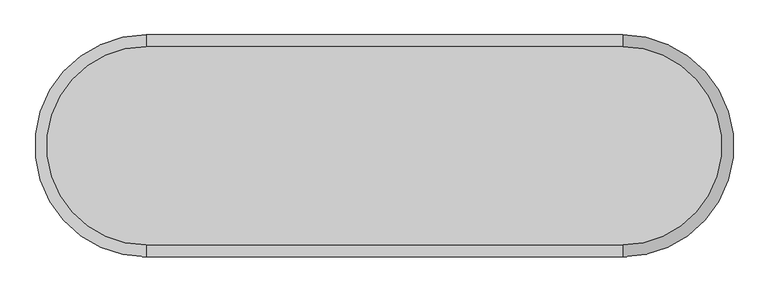
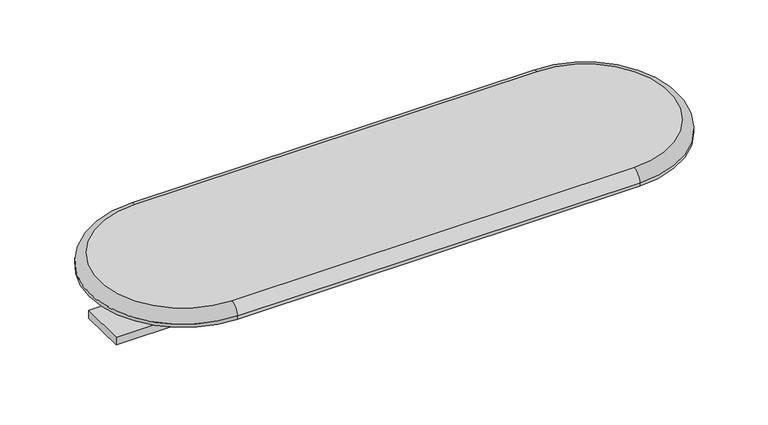
"""IFC4 building model written with IfcOpenShell, lengths in millimetres: furniture geometry."""

import ifcopenshell
import ifcopenshell.guid

model = None  # the IFC model being written
_history = None  # IfcOwnerHistory: only IFC2X3 demands one
_inside = {}  # id of a spatial element -> (the spatial element, [elements in it])
_under = {}  # id of a project, library or spatial element -> (it, [spatial elements below it])
_declared = {}  # id of a project -> (the project, [libraries it declares])
_typed = {}  # id of a type object -> (the type object, [elements of that type])
_made_of = {}  # id of a material, layer set ... -> (it, [elements and type objects made of it])


def new_model(schema):
    """Start an empty IFC model of exactly this schema.

    Asked for "IFC4X3", IfcOpenShell would pick the latest addendum, in which some entities
    have other attributes; the version numbers below select the first issue.
    IFC2X3 requires an IfcOwnerHistory on every rooted entity: one is made here for all.
    """
    global model, _history
    if schema == "IFC4X3":
        model = ifcopenshell.file(schema_version=(4, 3, 0, 0))
    else:
        model = ifcopenshell.file(schema=schema)
    _inside.clear()
    _under.clear()
    _declared.clear()
    _typed.clear()
    _made_of.clear()
    _history = None
    if model.schema == "IFC2X3":
        org = make("IfcOrganization", Name="unknown")
        user = make(
            "IfcPersonAndOrganization",
            ThePerson=make("IfcPerson", FamilyName="unknown"),
            TheOrganization=org,
        )
        app = make(
            "IfcApplication",
            ApplicationDeveloper=org,
            Version="unknown",
            ApplicationFullName="unknown",
            ApplicationIdentifier="unknown",
        )
        _history = make(
            "IfcOwnerHistory",
            OwningUser=user,
            OwningApplication=app,
            ChangeAction="ADDED",
            CreationDate=0,
        )
    return model


def make(cls, **values):
    """One entity of the class cls with the attributes given. An attribute that is None is left unset."""
    return model.create_entity(
        cls, **{name: value for name, value in values.items() if value is not None}
    )


def rooted(cls, **values):
    """An entity with a GlobalId (a new one), such as an element, a storey or a relation."""
    return make(cls, GlobalId=ifcopenshell.guid.new(), OwnerHistory=_history, **values)


def si_unit(unit_type, name, prefix=None):
    """IfcSIUnit, for example si_unit("LENGTHUNIT", "METRE", prefix="MILLI")."""
    return make("IfcSIUnit", UnitType=unit_type, Prefix=prefix, Name=name)


def assignment(units):
    """IfcUnitAssignment: the units of a project."""
    return None if units is None else make("IfcUnitAssignment", Units=units)


def point(xyz):
    """IfcCartesianPoint."""
    return None if xyz is None else make("IfcCartesianPoint", Coordinates=xyz)


def direction(xyz):
    """IfcDirection."""
    return None if xyz is None else make("IfcDirection", DirectionRatios=xyz)


def frame(location, z_axis=None, x_axis=None):
    """IfcAxis2Placement3D, a coordinate frame: its origin and axes. An axis left out is left unset."""
    return make(
        "IfcAxis2Placement3D",
        Location=point(location),
        Axis=direction(z_axis),
        RefDirection=direction(x_axis),
    )


def frame_2d(location, x_axis=None):
    """IfcAxis2Placement2D, a coordinate frame in the plane: its origin and x axis."""
    return make(
        "IfcAxis2Placement2D", Location=point(location), RefDirection=direction(x_axis)
    )


def origin():
    """The frame at (0, 0, 0) with its axes left unset."""
    return frame((0.0, 0.0, 0.0))


def place(relative_to, where):
    """IfcLocalPlacement: puts the frame where relative to a parent placement (None: the world)."""
    return make(
        "IfcLocalPlacement", PlacementRelTo=relative_to, RelativePlacement=where
    )


def context(
    kind, dimensions, precision=None, world=None, true_north=None, identifier=None
):
    """IfcGeometricRepresentationContext, for example the 3D "Model" context."""
    return make(
        "IfcGeometricRepresentationContext",
        ContextIdentifier=identifier,
        ContextType=kind,
        CoordinateSpaceDimension=dimensions,
        Precision=precision,
        WorldCoordinateSystem=world,
        TrueNorth=true_north,
    )


def project(units=None, contexts=None):
    """IfcProject with its units and contexts."""
    return rooted(
        "IfcProject",
        Name="project",
        RepresentationContexts=contexts,
        UnitsInContext=assignment(units),
    )


def spatial(cls, under=None, at=None, **own):
    """A site, building, storey or space (cls), placed at a placement, below another one or the project."""
    s = rooted(cls, ObjectPlacement=at, **own)
    if under is not None:
        _under.setdefault(under.id(), (under, []))[1].append(s)
    return s


def polyline(points):
    """IfcPolyline through the points."""
    return make("IfcPolyline", Points=[point(p) for p in points])


def circle_curve(where, radius):
    """IfcCircle in the frame where."""
    return make("IfcCircle", Position=where, Radius=radius)


def ellipse_curve(where, semi_axis1, semi_axis2):
    """IfcEllipse in the frame where."""
    return make(
        "IfcEllipse", Position=where, SemiAxis1=semi_axis1, SemiAxis2=semi_axis2
    )


def trimmed(basis, trim1, trim2, sense, master):
    """IfcTrimmedCurve: the piece of a basis curve between two trims."""
    return make(
        "IfcTrimmedCurve",
        BasisCurve=basis,
        Trim1=trim1,
        Trim2=trim2,
        SenseAgreement=sense,
        MasterRepresentation=master,
    )


def segment(curve, same_sense, transition):
    """IfcCompositeCurveSegment."""
    return make(
        "IfcCompositeCurveSegment",
        Transition=transition,
        SameSense=same_sense,
        ParentCurve=curve,
    )


def composite_curve(segments, self_intersect=None):
    """IfcCompositeCurve: segments joined end to end."""
    return make("IfcCompositeCurve", Segments=segments, SelfIntersect=self_intersect)


def outline(outer, holes=None, kind="AREA"):
    """IfcArbitraryClosedProfileDef: a profile drawn as a closed curve; with holes, ...WithVoids."""
    if holes is None:
        return make("IfcArbitraryClosedProfileDef", ProfileType=kind, OuterCurve=outer)
    return make(
        "IfcArbitraryProfileDefWithVoids",
        ProfileType=kind,
        OuterCurve=outer,
        InnerCurves=holes,
    )


def extrude(swept, where, along, depth):
    """IfcExtrudedAreaSolid: the profile swept, set in the frame where, extruded along a direction by depth."""
    return make(
        "IfcExtrudedAreaSolid",
        SweptArea=swept,
        Position=where,
        ExtrudedDirection=direction(along),
        Depth=depth,
    )


def shape(context_of_items, identifier, shape_type, items):
    """IfcShapeRepresentation: the items that make up one representation, for example the "Body"."""
    return make(
        "IfcShapeRepresentation",
        ContextOfItems=context_of_items,
        RepresentationIdentifier=identifier,
        RepresentationType=shape_type,
        Items=items,
    )


def source(mapping_origin, context_of_items, identifier, shape_type, items):
    """IfcRepresentationMap: a shape defined once, which mapped items show again and again."""
    return make(
        "IfcRepresentationMap",
        MappingOrigin=mapping_origin,
        MappedRepresentation=shape(context_of_items, identifier, shape_type, items),
    )


def transform(
    local_origin,
    x_axis=None,
    y_axis=None,
    z_axis=None,
    scale=None,
    scale2=None,
    scale3=None,
    uniform=True,
):
    """IfcCartesianTransformationOperator3D, or its non-uniform kind. x_axis, y_axis, z_axis: its Axis1, 2, 3."""
    if uniform:
        return make(
            "IfcCartesianTransformationOperator3D",
            Axis1=direction(x_axis),
            Axis2=direction(y_axis),
            LocalOrigin=point(local_origin),
            Scale=scale,
            Axis3=direction(z_axis),
        )
    return make(
        "IfcCartesianTransformationOperator3DnonUniform",
        Axis1=direction(x_axis),
        Axis2=direction(y_axis),
        LocalOrigin=point(local_origin),
        Scale=scale,
        Axis3=direction(z_axis),
        Scale2=scale2,
        Scale3=scale3,
    )


def mapped(mapping_source, mapping_target):
    """IfcMappedItem: shows the shape of a source again, moved by a transform."""
    return make(
        "IfcMappedItem", MappingSource=mapping_source, MappingTarget=mapping_target
    )


def made_of(thing, what):
    """Note that an element or type object is made of a material, layer set ...; save() writes the relation."""
    if what is not None:
        _made_of.setdefault(what.id(), (what, []))[1].append(thing)
    return thing


def element(
    cls,
    number,
    at=None,
    inside=None,
    cuts=None,
    type_object=None,
    material=None,
    context=None,
    identifier="Body",
    shape_type=None,
    held_by="IfcProductDefinitionShape",
    body=None,
    shapes=None,
    **own,
):
    """One element of the class cls, such as IfcWall. Its Tag is "e" and its number.

    at: its placement. inside: the storey or other place that contains it. cuts: it is an
    opening in that element (IfcRelVoidsElement). A single representation is given by context,
    identifier, shape_type and body (its items); several are given by shapes. held_by: the class
    of the entity that holds the representations. save() writes the other relations.
    """
    e = rooted(cls, Tag="e%d" % number, ObjectPlacement=at, **own)
    if body is not None:
        shapes = [shape(context, identifier, shape_type, body)]
    if shapes is not None:
        e.Representation = make(held_by, Representations=shapes)
    if inside is not None:
        _inside.setdefault(inside.id(), (inside, []))[1].append(e)
    if cuts is not None:
        rooted(
            "IfcRelVoidsElement", RelatingBuildingElement=cuts, RelatedOpeningElement=e
        )
    if type_object is not None:
        _typed.setdefault(type_object.id(), (type_object, []))[1].append(e)
    return made_of(e, material)


def aggregate(whole, parts):
    """IfcRelAggregates: a whole, such as a stair, and the parts it consists of."""
    return rooted("IfcRelAggregates", RelatingObject=whole, RelatedObjects=parts)


def save(model, path):
    """Write the relations noted so far, then the file.

    IfcRelAggregates (storeys below a building ...), IfcRelContainedInSpatialStructure (elements
    in a storey), IfcRelDefinesByType, IfcRelAssociatesMaterial and IfcRelDeclares: one each for
    every whole, place, type object, material and project.
    """
    for whole, parts in _under.values():
        aggregate(whole, parts)
    for where, things in _inside.values():
        rooted(
            "IfcRelContainedInSpatialStructure",
            RelatedElements=things,
            RelatingStructure=where,
        )
    for kind, things in _typed.values():
        rooted("IfcRelDefinesByType", RelatedObjects=things, RelatingType=kind)
    for what, things in _made_of.values():
        rooted("IfcRelAssociatesMaterial", RelatedObjects=things, RelatingMaterial=what)
    for by, libraries in _declared.values():
        rooted("IfcRelDeclares", RelatingContext=by, RelatedDefinitions=libraries)
    model.write(path)


def plane_surface(at):
    """IfcPlane: the flat surface through the origin of the frame at, square to its z axis."""
    return make("IfcPlane", Position=at)


def cylinder_surface(at, radius):
    """IfcCylindricalSurface: all points at the distance radius from the z axis of the frame at."""
    return make("IfcCylindricalSurface", Position=at, Radius=radius)


def revolved_surface(curve, axis_point, axis_direction):
    """IfcSurfaceOfRevolution: the curve turned about the line through axis_point along axis_direction."""
    return make(
        "IfcSurfaceOfRevolution",
        SweptCurve=make("IfcArbitraryOpenProfileDef", ProfileType="CURVE", Curve=curve),
        AxisPosition=make("IfcAxis1Placement", Location=point(axis_point), Axis=direction(axis_direction)),
    )


def advanced_brep(points, edges, surfaces, faces):
    """IfcAdvancedBrep: a solid bounded by faces that lie on surfaces and meet in shared edges.

    An edge is (start, end): straight between two places in points (the first is 0);
    or (start, end, curve); or (start, end, curve, False) where it runs against its curve.
    A face is (place in surfaces, loops), or (place, loops, False) where it looks against
    its surface's normal. A loop lists edges by number (the first is 1), with a minus sign
    where the edge is run from its end to its start. The first loop is the outer one.
    """
    corners = [point(p) for p in points]
    vertices = [make("IfcVertexPoint", VertexGeometry=c) for c in corners]
    made = []
    for start, end, *more in edges:
        made.append(
            make(
                "IfcEdgeCurve",
                EdgeStart=vertices[start],
                EdgeEnd=vertices[end],
                EdgeGeometry=more[0] if more else make("IfcPolyline", Points=[corners[start], corners[end]]),
                SameSense=more[1] if len(more) > 1 else True,
            )
        )
    hull = []
    for where, loops, *sense in faces:
        bounds = []
        for j, loop in enumerate(loops):
            ring = [make("IfcOrientedEdge", EdgeElement=made[abs(k) - 1], Orientation=k > 0) for k in loop]
            bounds.append(
                make(
                    "IfcFaceOuterBound" if j == 0 else "IfcFaceBound",
                    Bound=make("IfcEdgeLoop", EdgeList=ring),
                    Orientation=True,
                )
            )
        hull.append(make("IfcAdvancedFace", Bounds=bounds, FaceSurface=surfaces[where], SameSense=sense[0] if sense else True))
    return make("IfcAdvancedBrep", Outer=make("IfcClosedShell", CfsFaces=hull))


def furniture_96a752b7(model_context):
    return source(origin(), model_context, "Body", "SolidModel", [
        advanced_brep(
        [(-860.8471981, 1154.1353662, 1069.975), (-860.8471981, 836.6353662, 1069.975), (-98.8471981, 836.6353662, 1069.975), (-98.8471981, 1154.1353662, 1069.975), (-860.8471981, 817.5853662, 1044.574997), (-860.8471981, 1173.1853662, 1044.574997), (-98.8471981, 1173.1853662, 1044.574997), (-98.8471981, 817.5853662, 1044.574997), (-860.8471981, 817.5853662, 1050.925), (-860.8471981, 1173.1853662, 1050.925), (-98.8471981, 817.5853662, 1050.925), (-98.8471981, 1173.1853662, 1050.925)],
        [
            (0, 1, circle_curve(frame((-860.8471981, 995.3853662, 1069.975), z_axis=(0.0, 0.0, 1.0), x_axis=(0.0, 1.0, 0.0)), 158.75)),
            (1, 2),
            (2, 3, circle_curve(frame((-98.8471981, 995.3853662, 1069.975), z_axis=(0.0, 0.0, 1.0), x_axis=(0.0, -1.0, 0.0)), 158.75)),
            (3, 0),
            (4, 5, circle_curve(frame((-860.8471981, 995.3853662, 1044.574997), z_axis=(0.0, 0.0, -1.0), x_axis=(0.0, 1.0, 0.0)), 177.8)),
            (5, 6),
            (6, 7, circle_curve(frame((-98.8471981, 995.3853662, 1044.574997), z_axis=(0.0, 0.0, -1.0), x_axis=(0.0, -1.0, 0.0)), 177.8)),
            (7, 4),
            (4, 8),
            (8, 9, circle_curve(frame((-860.8471981, 995.3853662, 1050.925), z_axis=(0.0, 0.0, -1.0), x_axis=(0.0, 1.0, 0.0)), 177.8)),
            (9, 5),
            (0, 9, circle_curve(frame((-860.8471981, 1154.1353662, 1050.925), z_axis=(-1.0, 0.0, 0.0), x_axis=(0.0, 1.0, 0.0)), 19.05)),
            (8, 1, circle_curve(frame((-860.8471981, 836.6353662, 1050.925), z_axis=(-1.0, 0.0, 0.0), x_axis=(0.0, -1.0, 0.0)), 19.05)),
            (8, 10),
            (10, 2, circle_curve(frame((-98.8471981, 836.6353662, 1050.925), z_axis=(-1.0, 0.0, 0.0), x_axis=(0.0, 1.0, 0.0)), 19.05)),
            (7, 10),
            (9, 11),
            (11, 6),
            (3, 11, circle_curve(frame((-98.8471981, 1154.1353662, 1050.925), z_axis=(-1.0, 0.0, 0.0), x_axis=(0.0, 1.0, 0.0)), 19.05)),
            (10, 11, circle_curve(frame((-98.8471981, 995.3853662, 1050.925), z_axis=(0.0, 0.0, 1.0), x_axis=(0.0, -1.0, 0.0)), 177.8)),
        ],
        [
            plane_surface(frame((-860.8471981, 995.3853662, 1069.975), z_axis=(0.0, 0.0, 1.0), x_axis=(0.0, 1.0, 0.0))),
            plane_surface(frame((-860.8471981, 995.3853662, 1044.574997), z_axis=(0.0, 0.0, -1.0), x_axis=(0.0, 1.0, 0.0))),
            cylinder_surface(frame((-860.8471981, 995.3853662, 2428.2722001), z_axis=(0.0, 0.0, 1.0), x_axis=(0.0, 1.0, 0.0)), 177.8),
            revolved_surface(trimmed(ellipse_curve(frame((-860.8471981, 1154.1353662, 1050.925), z_axis=(1.0, 0.0, 0.0), x_axis=(0.0, 1.0, 0.0)), 19.05, 19.05), [point((-860.8471981, 1173.1853662, 1050.925))], [point((-860.8471981, 1154.1353662, 1069.975))], True, "CARTESIAN"), (-860.8471981, 995.3853662, 2428.2722001), (0.0, 0.0, 1.0)),
            cylinder_surface(frame((-860.8471981, 836.6353662, 1050.925), z_axis=(1.0, 0.0, 0.0), x_axis=(0.0, 1.0, 0.0)), 19.05),
            plane_surface(frame((-98.8471981, 817.5853662, 1050.925), z_axis=(0.0, -1.0, 0.0), x_axis=(-1.0, 0.0, 0.0))),
            plane_surface(frame((-98.8471981, 1173.1853662, 1044.574997), z_axis=(0.0, 1.0, 0.0), x_axis=(-1.0, 0.0, 0.0))),
            cylinder_surface(frame((-860.8471981, 1154.1353662, 1050.925), z_axis=(1.0, 0.0, 0.0), x_axis=(0.0, 1.0, 0.0)), 19.05),
            revolved_surface(trimmed(ellipse_curve(frame((-98.8471981, 836.6353662, 1050.925), z_axis=(-1.0, 0.0, 0.0), x_axis=(0.0, 1.0, 0.0)), 19.05, 19.05), [point((-98.8471981, 817.5853662, 1050.925))], [point((-98.8471981, 836.6353662, 1069.975))], True, "CARTESIAN"), (-98.8471981, 995.3853662, -324.3972842), (0.0, 0.0, 1.0)),
            cylinder_surface(frame((-98.8471981, 995.3853662, -324.3972842), z_axis=(0.0, 0.0, 1.0), x_axis=(0.0, -1.0, 0.0)), 177.8),
        ],
        [
            (0, [[1, 2, 3, 4]]),
            (1, [[5, 6, 7, 8]]),
            (2, [[-5, 9, 10, 11]]),
            (3, [[-1, 12, -10, 13]]),
            (4, [[-2, -13, 14, 15]]),
            (5, [[-14, -9, -8, 16]]),
            (6, [[-6, -11, 17, 18]]),
            (7, [[-17, -12, -4, 19]]),
            (8, [[-3, -15, 20, -19]]),
            (9, [[-20, -16, -7, -18]]),
        ],
    ),
        extrude(outline(composite_curve([segment(trimmed(circle_curve(frame_2d((-98.8471981, 995.3853662)), 31.75), [point((-98.8471981, 963.6353662))], [point((-98.8471981, 1027.1353662))], False, "CARTESIAN"), True, "CONTINUOUS"), segment(trimmed(circle_curve(frame_2d((-98.8471981, 995.3853662)), 31.75), [point((-98.8471981, 1027.1353662))], [point((-98.8471981, 963.6353662))], False, "CARTESIAN"), True, "CONTINUOUS")], self_intersect=False)), frame((0.0, 0.0, 981.0749996), z_axis=(0.0, 0.0, 1.0), x_axis=(1.0, 0.0, 0.0)), (0.0, 0.0, 1.0), 63.4999974),
        extrude(outline(composite_curve([segment(trimmed(circle_curve(frame_2d((-479.8471981, 995.3853662)), 31.75), [point((-479.8471981, 963.6353662))], [point((-479.8471981, 1027.1353662))], False, "CARTESIAN"), True, "CONTINUOUS"), segment(trimmed(circle_curve(frame_2d((-479.8471981, 995.3853662)), 31.75), [point((-479.8471981, 1027.1353662))], [point((-479.8471981, 963.6353662))], False, "CARTESIAN"), True, "CONTINUOUS")], self_intersect=False)), frame((0.0, 0.0, 981.0749996), z_axis=(0.0, 0.0, 1.0), x_axis=(1.0, 0.0, 0.0)), (0.0, 0.0, 1.0), 63.4999974),
        extrude(outline(composite_curve([segment(trimmed(circle_curve(frame_2d((-860.8471981, 995.3853662)), 31.75), [point((-860.8471981, 963.6353662))], [point((-860.8471981, 1027.1353662))], False, "CARTESIAN"), True, "CONTINUOUS"), segment(trimmed(circle_curve(frame_2d((-860.8471981, 995.3853662)), 31.75), [point((-860.8471981, 1027.1353662))], [point((-860.8471981, 963.6353662))], False, "CARTESIAN"), True, "CONTINUOUS")], self_intersect=False)), frame((0.0, 0.0, 981.0749996), z_axis=(0.0, 0.0, 1.0), x_axis=(1.0, 0.0, 0.0)), (0.0, 0.0, 1.0), 63.4999974),
        extrude(outline(polyline([(53.5528019, 1039.8353662), (53.5528019, 950.9353693), (-1013.2471981, 950.9353693), (-1013.2471981, 1039.8353662), (53.5528019, 1039.8353662)])), frame((0.0, 0.0, 965.2), z_axis=(0.0, 0.0, 1.0), x_axis=(1.0, 0.0, 0.0)), (0.0, 0.0, 1.0), 15.8749996),
    ])


if __name__ == "__main__":
    model = new_model("IFC4")
    model_context = context("Model", 3, world=origin())
    ifc_project = project(units=[si_unit("LENGTHUNIT", "METRE", prefix="MILLI")], contexts=[model_context])
    site = spatial("IfcSite", under=ifc_project)
    building = spatial("IfcBuilding", under=site)
    placement = place(None, origin())
    furniture_shape = furniture_96a752b7(model_context)
    element("IfcFurniture", 1, at=placement, inside=building, context=model_context, shape_type="MappedRepresentation", body=[
        mapped(furniture_shape, transform((0.0, 0.0, 0.0), x_axis=(1.0, 0.0, 0.0), y_axis=(0.0, 1.0, 0.0), z_axis=(0.0, 0.0, 1.0))),
    ])
    save(model, "model.ifc")
